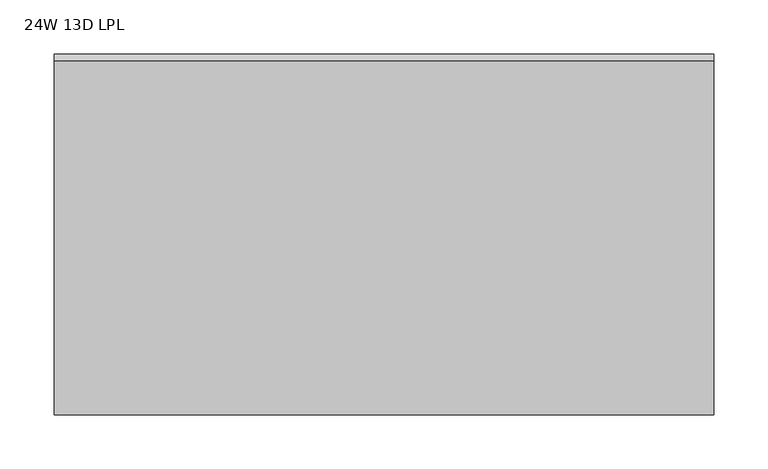
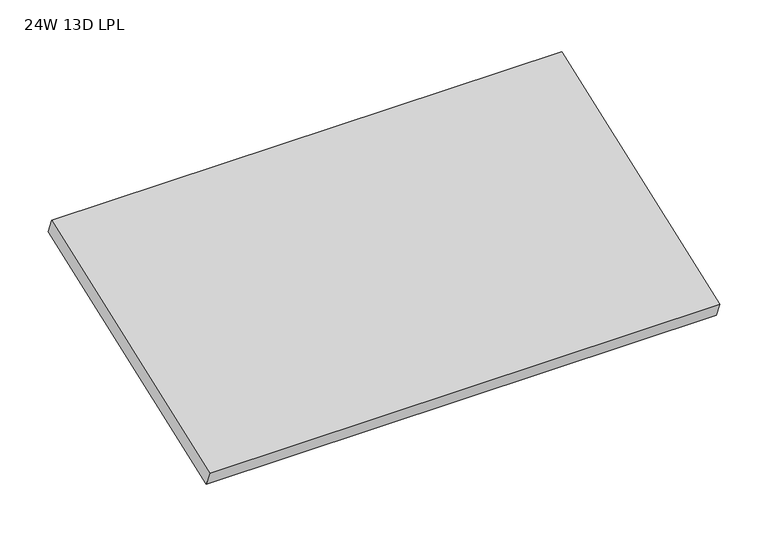
"""IFC4 building model written with IfcOpenShell, lengths in millimetres: furniture geometry, 24W 13D LPL."""

from ifc_helpers import new_model, si_unit, frame, origin, place, context, project, spatial, polyline, outline, extrude, source, transform, mapped, element, save


def furniture_24w_13d_lpl_7c5b0594(model_context):
    return source(origin(), model_context, "Body", "SweptSolid", [
        extrude(outline(polyline([(0.0, -348.7270613), (0.0, 0.0), (609.6, 0.0), (609.6, -348.7270613), (0.0, -348.7270613)])), frame((609.6, -327.025, 2161.4576847), z_axis=(0.0, -0.3472630154286159, 0.9377677740866472), x_axis=(-1.0, 0.0, 0.0)), (0.0, 0.0, 1.0), 19.304),
    ])


if __name__ == "__main__":
    model = new_model("IFC4")
    model_context = context("Model", 3, world=origin())
    ifc_project = project(units=[si_unit("LENGTHUNIT", "METRE", prefix="MILLI")], contexts=[model_context])
    site = spatial("IfcSite", under=ifc_project)
    building = spatial("IfcBuilding", under=site)
    placement = place(None, origin())
    furniture_24w_13d_lpl_shape = furniture_24w_13d_lpl_7c5b0594(model_context)
    element("IfcFurniture", 1, ObjectType="24W 13D LPL", at=placement, inside=building, context=model_context, shape_type="MappedRepresentation", body=[
        mapped(furniture_24w_13d_lpl_shape, transform((0.0, 0.0, 0.0), x_axis=(1.0, 0.0, 0.0), y_axis=(0.0, 1.0, 0.0), z_axis=(0.0, 0.0, 1.0))),
    ])
    save(model, "model.ifc")
